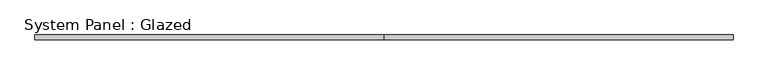
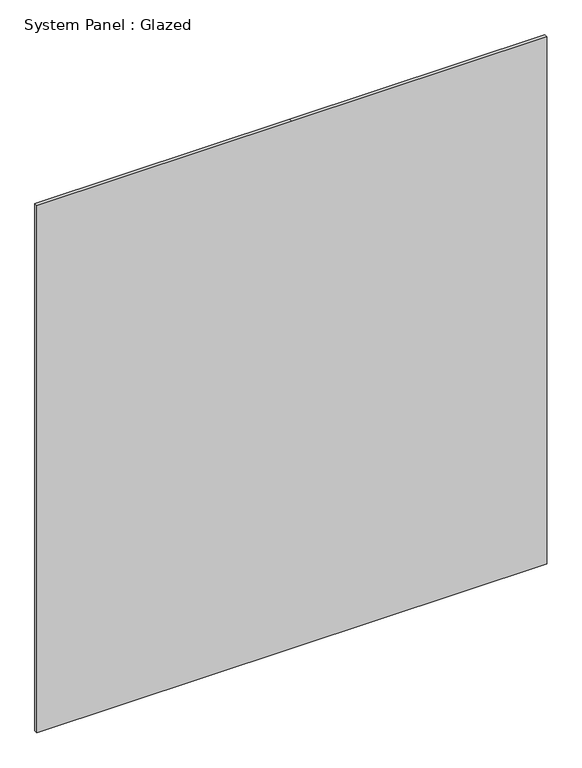
"""IFC4 building model written with IfcOpenShell, lengths in millimetres: plate geometry, System Panel : Glazed."""

from ifc_helpers import new_model, si_unit, frame, origin, place, context, project, spatial, polyline, outline, extrude, source, transform, mapped, element, save


def system_panel_glazed_3bb8ee47(model_context):
    return source(origin(), model_context, "Body", "SweptSolid", [
        extrude(outline(polyline([(0.0, -1830.0), (0.0, 0.0), (0.0, 1830.0), (4000.0, 1830.0), (4000.0, 0.0), (4000.0, -1830.0), (0.0, -1830.0)])), frame((0.0, 24.5, 0.0), z_axis=(0.0, 1.0, 0.0), x_axis=(0.0, 0.0, 1.0)), (0.0, 0.0, 1.0), 25.0),
    ])


if __name__ == "__main__":
    model = new_model("IFC4")
    model_context = context("Model", 3, world=origin())
    ifc_project = project(units=[si_unit("LENGTHUNIT", "METRE", prefix="MILLI")], contexts=[model_context])
    site = spatial("IfcSite", under=ifc_project)
    building = spatial("IfcBuilding", under=site)
    placement = place(None, origin())
    system_panel_glazed_shape = system_panel_glazed_3bb8ee47(model_context)
    element("IfcPlate", 1, ObjectType="System Panel : Glazed", at=placement, inside=building, context=model_context, shape_type="MappedRepresentation", body=[
        mapped(system_panel_glazed_shape, transform((0.0, 0.0, 0.0), x_axis=(1.0, 0.0, 0.0), y_axis=(0.0, 1.0, 0.0), z_axis=(0.0, 0.0, 1.0))),
    ])
    save(model, "model.ifc")
